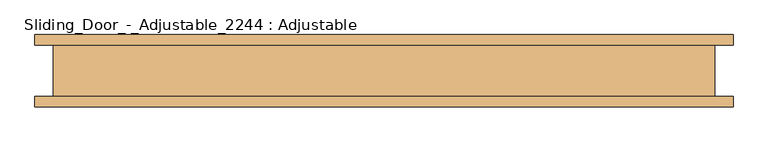
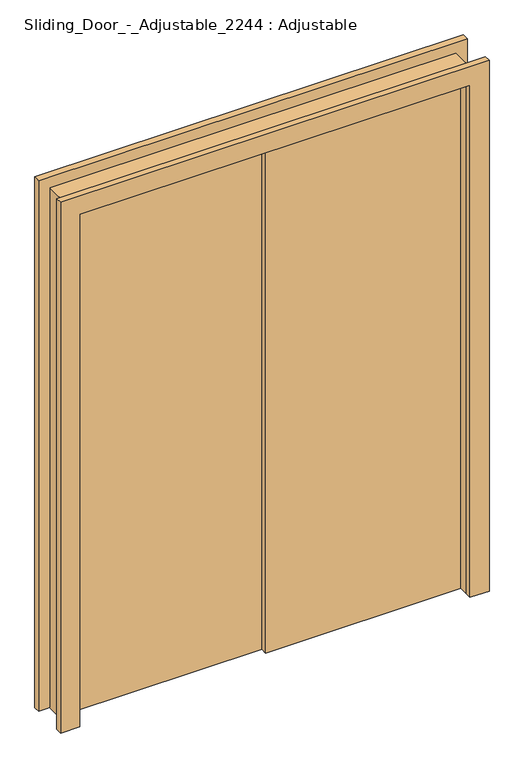
"""IFC4 building model written with IfcOpenShell, lengths in millimetres: door geometry, Sliding_Door_-_Adjustable_2244 : Adjustable."""

from ifc_helpers import new_model, si_unit, frame, origin, origin_with_axes, place, context, project, spatial, polyline, outline, extrude, source, transform, mapped, element, save


def sliding_door_adjustable_2244_adjustable_130a852a(model_context):
    return source(origin(), model_context, "Body", "SweptSolid", [
        extrude(outline(polyline([(768.8321962, -25.4), (0.0, -25.4), (0.0, 0.0), (768.8321962, 0.0), (768.8321962, -25.4)])), origin_with_axes(), (0.0, 0.0, 1.0), 2133.6),
        extrude(outline(polyline([(0.0, 0.0), (-768.8321962, 0.0), (-768.8321962, 25.4), (0.0, 25.4), (0.0, 0.0)])), origin_with_axes(), (0.0, 0.0, 1.0), 2133.6),
        extrude(outline(polyline([(2209.8, -845.0321962), (0.0, -845.0321962), (0.0, -768.8321962), (2133.6, -768.8321962), (2133.6, 768.8321962), (0.0, 768.8321962), (0.0, 845.0321962), (2209.8, 845.0321962), (2209.8, -845.0321962)])), frame((0.0, 61.9125, 0.0), z_axis=(0.0, 1.0, 0.0), x_axis=(0.0, 0.0, 1.0)), (0.0, 0.0, 1.0), 25.4),
        extrude(outline(polyline([(2209.8, 845.0321962), (2209.8, -845.0321962), (0.0, -845.0321962), (0.0, -768.8321962), (2133.6, -768.8321962), (2133.6, 768.8321962), (0.0, 768.8321962), (0.0, 845.0321962), (2209.8, 845.0321962)])), frame((0.0, -87.3125, 0.0), z_axis=(0.0, 1.0, 0.0), x_axis=(0.0, 0.0, 1.0)), (0.0, 0.0, 1.0), 25.4),
        extrude(outline(polyline([(0.0, -800.5821962), (0.0, -768.8321962), (2133.6, -768.8321962), (2133.6, 768.8321962), (0.0, 768.8321962), (0.0, 800.5821962), (2165.35, 800.5821962), (2165.35, -800.5821962), (0.0, -800.5821962)])), frame((0.0, -61.9125, 0.0), z_axis=(0.0, 1.0, 0.0), x_axis=(0.0, 0.0, 1.0)), (0.0, 0.0, 1.0), 123.825),
    ])


if __name__ == "__main__":
    model = new_model("IFC4")
    model_context = context("Model", 3, world=origin())
    ifc_project = project(units=[si_unit("LENGTHUNIT", "METRE", prefix="MILLI")], contexts=[model_context])
    site = spatial("IfcSite", under=ifc_project)
    building = spatial("IfcBuilding", under=site)
    placement = place(None, origin())
    sliding_door_adjustable_2244_adjustable_shape = sliding_door_adjustable_2244_adjustable_130a852a(model_context)
    element("IfcDoor", 1, ObjectType="Sliding_Door_-_Adjustable_2244 : Adjustable", at=placement, inside=building, context=model_context, shape_type="MappedRepresentation", body=[
        mapped(sliding_door_adjustable_2244_adjustable_shape, transform((0.0, 0.0, 0.0), x_axis=(1.0, 0.0, 0.0), y_axis=(0.0, 1.0, 0.0), z_axis=(0.0, 0.0, 1.0))),
    ])
    save(model, "model.ifc")
